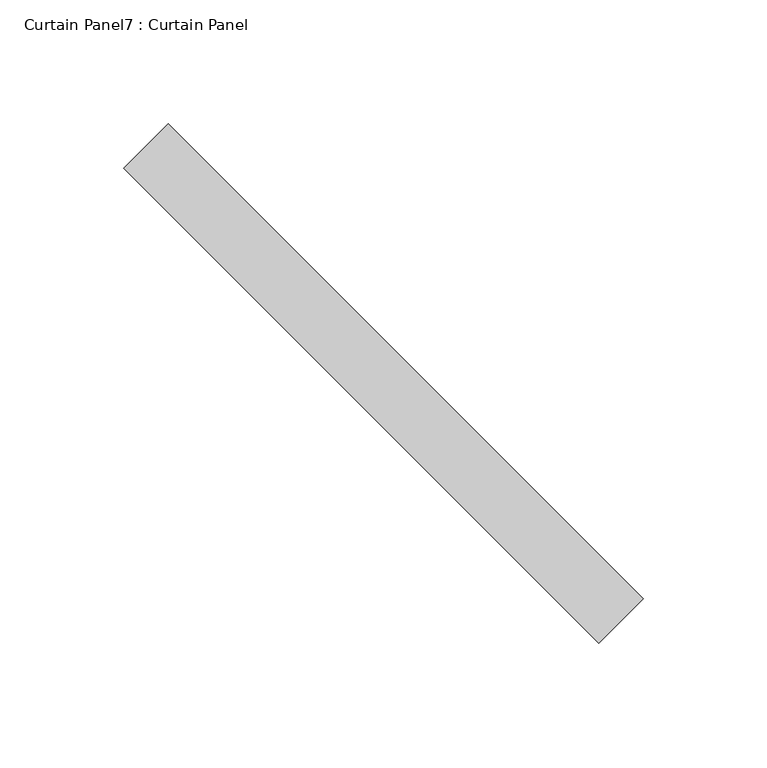
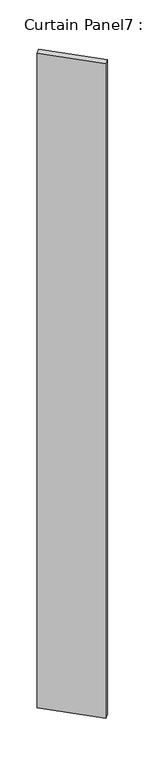
"""IFC4 building model written with IfcOpenShell, lengths in millimetres: plate geometry, Curtain Panel7 : Curtain Panel."""

import ifcopenshell
import ifcopenshell.guid

model = None  # the IFC model being written
_history = None  # IfcOwnerHistory: only IFC2X3 demands one
_inside = {}  # id of a spatial element -> (the spatial element, [elements in it])
_under = {}  # id of a project, library or spatial element -> (it, [spatial elements below it])
_declared = {}  # id of a project -> (the project, [libraries it declares])
_typed = {}  # id of a type object -> (the type object, [elements of that type])
_made_of = {}  # id of a material, layer set ... -> (it, [elements and type objects made of it])


def new_model(schema):
    """Start an empty IFC model of exactly this schema.

    Asked for "IFC4X3", IfcOpenShell would pick the latest addendum, in which some entities
    have other attributes; the version numbers below select the first issue.
    IFC2X3 requires an IfcOwnerHistory on every rooted entity: one is made here for all.
    """
    global model, _history
    if schema == "IFC4X3":
        model = ifcopenshell.file(schema_version=(4, 3, 0, 0))
    else:
        model = ifcopenshell.file(schema=schema)
    _inside.clear()
    _under.clear()
    _declared.clear()
    _typed.clear()
    _made_of.clear()
    _history = None
    if model.schema == "IFC2X3":
        org = make("IfcOrganization", Name="unknown")
        user = make(
            "IfcPersonAndOrganization",
            ThePerson=make("IfcPerson", FamilyName="unknown"),
            TheOrganization=org,
        )
        app = make(
            "IfcApplication",
            ApplicationDeveloper=org,
            Version="unknown",
            ApplicationFullName="unknown",
            ApplicationIdentifier="unknown",
        )
        _history = make(
            "IfcOwnerHistory",
            OwningUser=user,
            OwningApplication=app,
            ChangeAction="ADDED",
            CreationDate=0,
        )
    return model


def make(cls, **values):
    """One entity of the class cls with the attributes given. An attribute that is None is left unset."""
    return model.create_entity(
        cls, **{name: value for name, value in values.items() if value is not None}
    )


def rooted(cls, **values):
    """An entity with a GlobalId (a new one), such as an element, a storey or a relation."""
    return make(cls, GlobalId=ifcopenshell.guid.new(), OwnerHistory=_history, **values)


def si_unit(unit_type, name, prefix=None):
    """IfcSIUnit, for example si_unit("LENGTHUNIT", "METRE", prefix="MILLI")."""
    return make("IfcSIUnit", UnitType=unit_type, Prefix=prefix, Name=name)


def assignment(units):
    """IfcUnitAssignment: the units of a project."""
    return None if units is None else make("IfcUnitAssignment", Units=units)


def point(xyz):
    """IfcCartesianPoint."""
    return None if xyz is None else make("IfcCartesianPoint", Coordinates=xyz)


def direction(xyz):
    """IfcDirection."""
    return None if xyz is None else make("IfcDirection", DirectionRatios=xyz)


def frame(location, z_axis=None, x_axis=None):
    """IfcAxis2Placement3D, a coordinate frame: its origin and axes. An axis left out is left unset."""
    return make(
        "IfcAxis2Placement3D",
        Location=point(location),
        Axis=direction(z_axis),
        RefDirection=direction(x_axis),
    )


def origin():
    """The frame at (0, 0, 0) with its axes left unset."""
    return frame((0.0, 0.0, 0.0))


def place(relative_to, where):
    """IfcLocalPlacement: puts the frame where relative to a parent placement (None: the world)."""
    return make(
        "IfcLocalPlacement", PlacementRelTo=relative_to, RelativePlacement=where
    )


def context(
    kind, dimensions, precision=None, world=None, true_north=None, identifier=None
):
    """IfcGeometricRepresentationContext, for example the 3D "Model" context."""
    return make(
        "IfcGeometricRepresentationContext",
        ContextIdentifier=identifier,
        ContextType=kind,
        CoordinateSpaceDimension=dimensions,
        Precision=precision,
        WorldCoordinateSystem=world,
        TrueNorth=true_north,
    )


def project(units=None, contexts=None):
    """IfcProject with its units and contexts."""
    return rooted(
        "IfcProject",
        Name="project",
        RepresentationContexts=contexts,
        UnitsInContext=assignment(units),
    )


def spatial(cls, under=None, at=None, **own):
    """A site, building, storey or space (cls), placed at a placement, below another one or the project."""
    s = rooted(cls, ObjectPlacement=at, **own)
    if under is not None:
        _under.setdefault(under.id(), (under, []))[1].append(s)
    return s


def polyline(points):
    """IfcPolyline through the points."""
    return make("IfcPolyline", Points=[point(p) for p in points])


def outline(outer, holes=None, kind="AREA"):
    """IfcArbitraryClosedProfileDef: a profile drawn as a closed curve; with holes, ...WithVoids."""
    if holes is None:
        return make("IfcArbitraryClosedProfileDef", ProfileType=kind, OuterCurve=outer)
    return make(
        "IfcArbitraryProfileDefWithVoids",
        ProfileType=kind,
        OuterCurve=outer,
        InnerCurves=holes,
    )


def extrude(swept, where, along, depth):
    """IfcExtrudedAreaSolid: the profile swept, set in the frame where, extruded along a direction by depth."""
    return make(
        "IfcExtrudedAreaSolid",
        SweptArea=swept,
        Position=where,
        ExtrudedDirection=direction(along),
        Depth=depth,
    )


def shape(context_of_items, identifier, shape_type, items):
    """IfcShapeRepresentation: the items that make up one representation, for example the "Body"."""
    return make(
        "IfcShapeRepresentation",
        ContextOfItems=context_of_items,
        RepresentationIdentifier=identifier,
        RepresentationType=shape_type,
        Items=items,
    )


def source(mapping_origin, context_of_items, identifier, shape_type, items):
    """IfcRepresentationMap: a shape defined once, which mapped items show again and again."""
    return make(
        "IfcRepresentationMap",
        MappingOrigin=mapping_origin,
        MappedRepresentation=shape(context_of_items, identifier, shape_type, items),
    )


def transform(
    local_origin,
    x_axis=None,
    y_axis=None,
    z_axis=None,
    scale=None,
    scale2=None,
    scale3=None,
    uniform=True,
):
    """IfcCartesianTransformationOperator3D, or its non-uniform kind. x_axis, y_axis, z_axis: its Axis1, 2, 3."""
    if uniform:
        return make(
            "IfcCartesianTransformationOperator3D",
            Axis1=direction(x_axis),
            Axis2=direction(y_axis),
            LocalOrigin=point(local_origin),
            Scale=scale,
            Axis3=direction(z_axis),
        )
    return make(
        "IfcCartesianTransformationOperator3DnonUniform",
        Axis1=direction(x_axis),
        Axis2=direction(y_axis),
        LocalOrigin=point(local_origin),
        Scale=scale,
        Axis3=direction(z_axis),
        Scale2=scale2,
        Scale3=scale3,
    )


def mapped(mapping_source, mapping_target):
    """IfcMappedItem: shows the shape of a source again, moved by a transform."""
    return make(
        "IfcMappedItem", MappingSource=mapping_source, MappingTarget=mapping_target
    )


def made_of(thing, what):
    """Note that an element or type object is made of a material, layer set ...; save() writes the relation."""
    if what is not None:
        _made_of.setdefault(what.id(), (what, []))[1].append(thing)
    return thing


def element(
    cls,
    number,
    at=None,
    inside=None,
    cuts=None,
    type_object=None,
    material=None,
    context=None,
    identifier="Body",
    shape_type=None,
    held_by="IfcProductDefinitionShape",
    body=None,
    shapes=None,
    **own,
):
    """One element of the class cls, such as IfcWall. Its Tag is "e" and its number.

    at: its placement. inside: the storey or other place that contains it. cuts: it is an
    opening in that element (IfcRelVoidsElement). A single representation is given by context,
    identifier, shape_type and body (its items); several are given by shapes. held_by: the class
    of the entity that holds the representations. save() writes the other relations.
    """
    e = rooted(cls, Tag="e%d" % number, ObjectPlacement=at, **own)
    if body is not None:
        shapes = [shape(context, identifier, shape_type, body)]
    if shapes is not None:
        e.Representation = make(held_by, Representations=shapes)
    if inside is not None:
        _inside.setdefault(inside.id(), (inside, []))[1].append(e)
    if cuts is not None:
        rooted(
            "IfcRelVoidsElement", RelatingBuildingElement=cuts, RelatedOpeningElement=e
        )
    if type_object is not None:
        _typed.setdefault(type_object.id(), (type_object, []))[1].append(e)
    return made_of(e, material)


def aggregate(whole, parts):
    """IfcRelAggregates: a whole, such as a stair, and the parts it consists of."""
    return rooted("IfcRelAggregates", RelatingObject=whole, RelatedObjects=parts)


def save(model, path):
    """Write the relations noted so far, then the file.

    IfcRelAggregates (storeys below a building ...), IfcRelContainedInSpatialStructure (elements
    in a storey), IfcRelDefinesByType, IfcRelAssociatesMaterial and IfcRelDeclares: one each for
    every whole, place, type object, material and project.
    """
    for whole, parts in _under.values():
        aggregate(whole, parts)
    for where, things in _inside.values():
        rooted(
            "IfcRelContainedInSpatialStructure",
            RelatedElements=things,
            RelatingStructure=where,
        )
    for kind, things in _typed.values():
        rooted("IfcRelDefinesByType", RelatedObjects=things, RelatingType=kind)
    for what, things in _made_of.values():
        rooted("IfcRelAssociatesMaterial", RelatedObjects=things, RelatingMaterial=what)
    for by, libraries in _declared.values():
        rooted("IfcRelDeclares", RelatingContext=by, RelatedDefinitions=libraries)
    model.write(path)


def curtain_panel7_curtain_panel_68e831d8(model_context):
    return source(origin(), model_context, "Body", "SweptSolid", [
        extrude(outline(polyline([(-9183.9446211, 2366.5926737), (-8991.9235751, 2174.5716277), (-9009.8840873, 2156.6111154), (-9201.9051333, 2348.6321614), (-9183.9446211, 2366.5926737)])), frame((0.0, 0.0, -655.9548836), z_axis=(0.0, 0.0, 1.0), x_axis=(1.0, 0.0, 0.0)), (0.0, 0.0, 1.0), 3048.0),
    ])


if __name__ == "__main__":
    model = new_model("IFC4")
    model_context = context("Model", 3, world=origin())
    ifc_project = project(units=[si_unit("LENGTHUNIT", "METRE", prefix="MILLI")], contexts=[model_context])
    site = spatial("IfcSite", under=ifc_project)
    building = spatial("IfcBuilding", under=site)
    placement = place(None, origin())
    curtain_panel7_curtain_panel_shape = curtain_panel7_curtain_panel_68e831d8(model_context)
    element("IfcPlate", 1, ObjectType="Curtain Panel7 : Curtain Panel", at=placement, inside=building, context=model_context, shape_type="MappedRepresentation", body=[
        mapped(curtain_panel7_curtain_panel_shape, transform((0.0, 0.0, 0.0), x_axis=(1.0, 0.0, 0.0), y_axis=(0.0, 1.0, 0.0), z_axis=(0.0, 0.0, 1.0))),
    ])
    save(model, "model.ifc")
